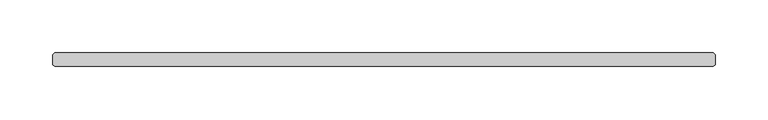
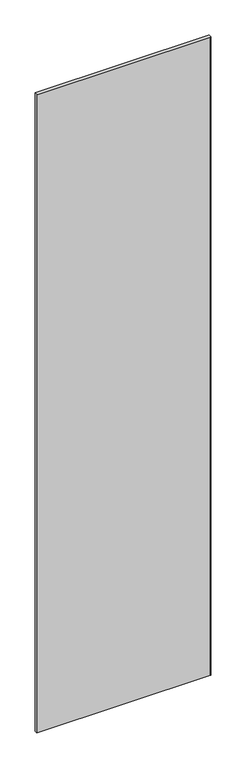
"""IFC4 building model written with IfcOpenShell, lengths in millimetres: plate geometry."""

from ifc_helpers import new_model, si_unit, origin, origin_with_axes, place, context, project, spatial, polyline, outline, extrude, source, transform, mapped, element, save


def plate_cace7e6e(model_context):
    return source(origin(), model_context, "Body", "SweptSolid", [
        extrude(outline(polyline([(310.753125, 36.5125), (312.340625, 34.925), (312.340625, 25.4), (310.753125, 23.8125), (-310.753125, 23.8125), (-312.340625, 25.4), (-312.340625, 34.925), (-310.753125, 36.5125), (310.753125, 36.5125)])), origin_with_axes(), (0.0, 0.0, 1.0), 2417.075),
    ])


if __name__ == "__main__":
    model = new_model("IFC4")
    model_context = context("Model", 3, world=origin())
    ifc_project = project(units=[si_unit("LENGTHUNIT", "METRE", prefix="MILLI")], contexts=[model_context])
    site = spatial("IfcSite", under=ifc_project)
    building = spatial("IfcBuilding", under=site)
    placement = place(None, origin())
    plate_shape = plate_cace7e6e(model_context)
    element("IfcPlate", 1, at=placement, inside=building, context=model_context, shape_type="MappedRepresentation", body=[
        mapped(plate_shape, transform((0.0, 0.0, 0.0), x_axis=(1.0, 0.0, 0.0), y_axis=(0.0, 1.0, 0.0), z_axis=(0.0, 0.0, 1.0))),
    ])
    save(model, "model.ifc")
